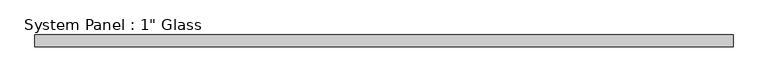
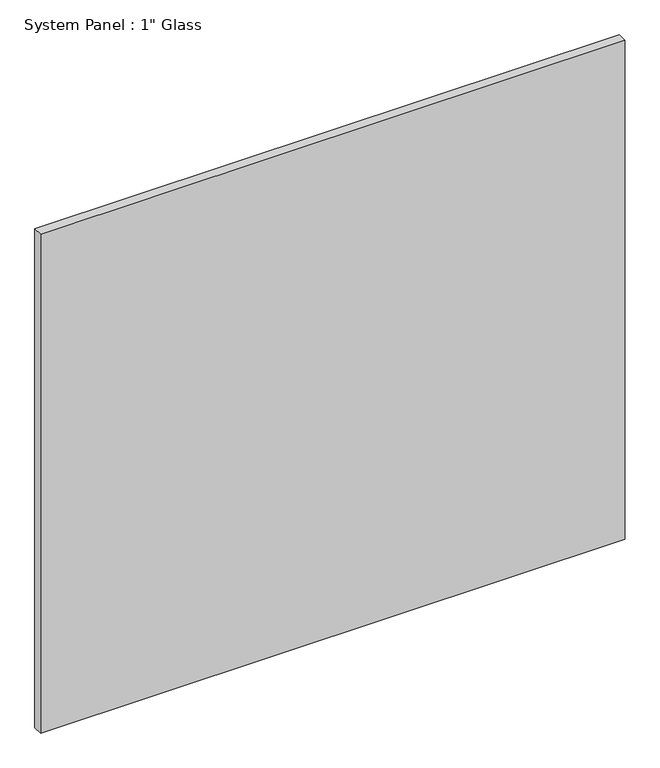
"""IFC4 building model written with IfcOpenShell, lengths in millimetres: plate geometry."""

from ifc_helpers import new_model, si_unit, origin, origin_with_axes, place, context, project, spatial, polyline, outline, extrude, source, transform, mapped, element, save


def plate_e70e2af4(model_context):
    return source(origin(), model_context, "Body", "SweptSolid", [
        extrude(outline(polyline([(762.0, -12.7), (-762.0, -12.7), (-762.0, 12.7), (762.0, 12.7), (762.0, -12.7)])), origin_with_axes(), (0.0, 0.0, 1.0), 1374.775),
    ])


if __name__ == "__main__":
    model = new_model("IFC4")
    model_context = context("Model", 3, world=origin())
    ifc_project = project(units=[si_unit("LENGTHUNIT", "METRE", prefix="MILLI")], contexts=[model_context])
    site = spatial("IfcSite", under=ifc_project)
    building = spatial("IfcBuilding", under=site)
    placement = place(None, origin())
    plate_shape = plate_e70e2af4(model_context)
    element("IfcPlate", 1, ObjectType="System Panel : 1\" Glass", at=placement, inside=building, context=model_context, shape_type="MappedRepresentation", body=[
        mapped(plate_shape, transform((0.0, 0.0, 0.0), x_axis=(1.0, 0.0, 0.0), y_axis=(0.0, 1.0, 0.0), z_axis=(0.0, 0.0, 1.0))),
    ])
    save(model, "model.ifc")
